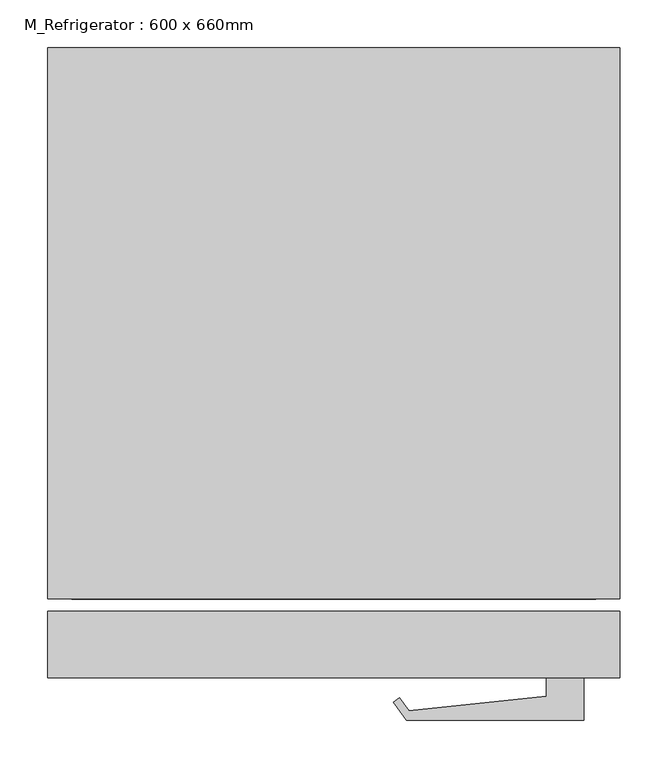
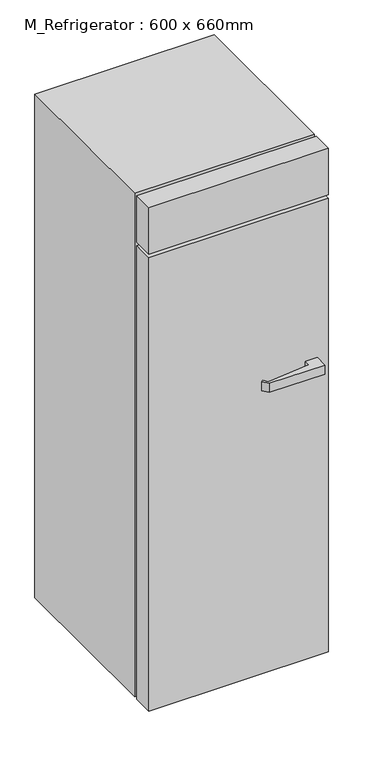
"""IFC4 building model written with IfcOpenShell, lengths in millimetres: proxy geometry, M_Refrigerator : 600 x 660mm."""

from ifc_helpers import new_model, si_unit, point, frame, frame_2d, origin, origin_with_axes, place, context, project, spatial, polyline, circle_curve, trimmed, segment, composite_curve, outline, extrude, source, transform, mapped, element, save


def m_refrigerator_600_x_660mm_a466bf94(model_context):
    return source(origin(), model_context, "Body", "SweptSolid", [
        extrude(outline(polyline([(208.0988574, -408.1036861), (22.3988574, -408.1036861), (8.7240737, -389.5368406), (15.2273026, -384.7471068), (25.1756383, -398.2543926), (168.9242419, -383.0358618), (168.9242419, -363.7849098), (208.0988574, -363.7849098), (208.0988574, -408.1036861)])), frame((0.0, 0.0, 1071.927792), z_axis=(0.0, 0.0, 1.0), x_axis=(1.0, 0.0, 0.0)), (0.0, 0.0, 1.0), 31.75),
        extrude(outline(composite_curve([segment(trimmed(circle_curve(frame_2d((-271.2511426, 220.0150902)), 25.4), [point((-296.6511426, 220.0150902))], [point((-245.8511426, 220.0150902))], False, "CARTESIAN"), True, "CONTINUOUS"), segment(trimmed(circle_curve(frame_2d((-271.2511426, 220.0150902)), 25.4), [point((-245.8511426, 220.0150902))], [point((-296.6511426, 220.0150902))], False, "CARTESIAN"), True, "CONTINUOUS")], self_intersect=False)), origin_with_axes(), (0.0, 0.0, 1.0), 50.8),
        extrude(outline(composite_curve([segment(trimmed(circle_curve(frame_2d((163.6488574, 220.0150902)), 25.4), [point((138.2488574, 220.0150902))], [point((189.0488574, 220.0150902))], False, "CARTESIAN"), True, "CONTINUOUS"), segment(trimmed(circle_curve(frame_2d((163.6488574, 220.0150902)), 25.4), [point((189.0488574, 220.0150902))], [point((138.2488574, 220.0150902))], False, "CARTESIAN"), True, "CONTINUOUS")], self_intersect=False)), origin_with_axes(), (0.0, 0.0, 1.0), 50.8),
        extrude(outline(composite_curve([segment(trimmed(circle_curve(frame_2d((-271.2511426, -236.7849098)), 25.4), [point((-296.6511426, -236.7849098))], [point((-245.8511426, -236.7849098))], False, "CARTESIAN"), True, "CONTINUOUS"), segment(trimmed(circle_curve(frame_2d((-271.2511426, -236.7849098)), 25.4), [point((-245.8511426, -236.7849098))], [point((-296.6511426, -236.7849098))], False, "CARTESIAN"), True, "CONTINUOUS")], self_intersect=False)), origin_with_axes(), (0.0, 0.0, 1.0), 50.8),
        extrude(outline(composite_curve([segment(trimmed(circle_curve(frame_2d((163.6488574, -236.7849098)), 25.4), [point((138.2488574, -236.7849098))], [point((189.0488574, -236.7849098))], False, "CARTESIAN"), True, "CONTINUOUS"), segment(trimmed(circle_curve(frame_2d((163.6488574, -236.7849098)), 25.4), [point((189.0488574, -236.7849098))], [point((138.2488574, -236.7849098))], False, "CARTESIAN"), True, "CONTINUOUS")], self_intersect=False)), origin_with_axes(), (0.0, 0.0, 1.0), 50.8),
        extrude(outline(polyline([(246.1988574, -363.7849098), (-353.8011426, -363.7849098), (-353.8011426, -293.9349098), (246.1988574, -293.9349098), (246.1988574, -363.7849098)])), frame((0.0, 0.0, 50.8), z_axis=(0.0, 0.0, 1.0), x_axis=(1.0, 0.0, 0.0)), (0.0, 0.0, 1.0), 1601.4),
        extrude(outline(polyline([(246.1988574, -363.7849098), (-353.8011426, -363.7849098), (-353.8011426, -293.9349098), (246.1988574, -293.9349098), (246.1988574, -363.7849098)])), frame((0.0, 0.0, 1664.9), z_axis=(0.0, 0.0, 1.0), x_axis=(1.0, 0.0, 0.0)), (0.0, 0.0, 1.0), 165.1),
        extrude(outline(polyline([(220.7988574, 270.8150902), (-328.4011426, 270.8150902), (-328.4011426, 296.2150902), (220.7988574, 296.2150902), (220.7988574, 270.8150902)])), frame((0.0, 0.0, 152.4), z_axis=(0.0, 0.0, 1.0), x_axis=(1.0, 0.0, 0.0)), (0.0, 0.0, 1.0), 1652.2),
        extrude(outline(polyline([(1830.0, 246.1988574), (1830.0, -353.8011426), (50.8, -353.8011426), (50.8, 246.1988574), (1830.0, 246.1988574)]), holes=[polyline([(1626.8, 220.7988574), (431.8, 220.7988574), (431.8, -328.4011426), (1626.8, -328.4011426), (1626.8, 220.7988574)])]), frame((0.0, -281.2349098, 0.0), z_axis=(0.0, 1.0, 0.0), x_axis=(0.0, 0.0, 1.0)), (0.0, 0.0, 1.0), 577.45),
    ])


if __name__ == "__main__":
    model = new_model("IFC4")
    model_context = context("Model", 3, world=origin())
    ifc_project = project(units=[si_unit("LENGTHUNIT", "METRE", prefix="MILLI")], contexts=[model_context])
    site = spatial("IfcSite", under=ifc_project)
    building = spatial("IfcBuilding", under=site)
    placement = place(None, origin())
    m_refrigerator_600_x_660mm_shape = m_refrigerator_600_x_660mm_a466bf94(model_context)
    element("IfcBuildingElementProxy", 1, Name="M_Refrigerator : 600 x 660mm", ObjectType="M_Refrigerator : 600 x 660mm", at=placement, inside=building, context=model_context, shape_type="MappedRepresentation", body=[
        mapped(m_refrigerator_600_x_660mm_shape, transform((0.0, 0.0, 0.0), x_axis=(1.0, 0.0, 0.0), y_axis=(0.0, 1.0, 0.0), z_axis=(0.0, 0.0, 1.0))),
    ])
    save(model, "model.ifc")
